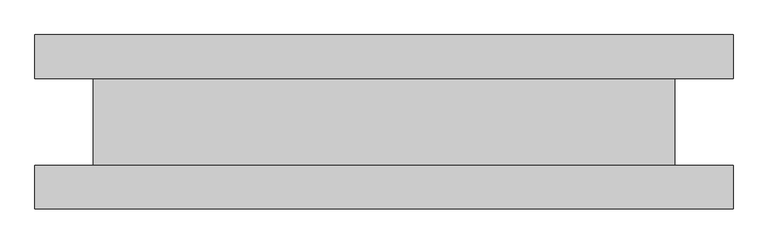
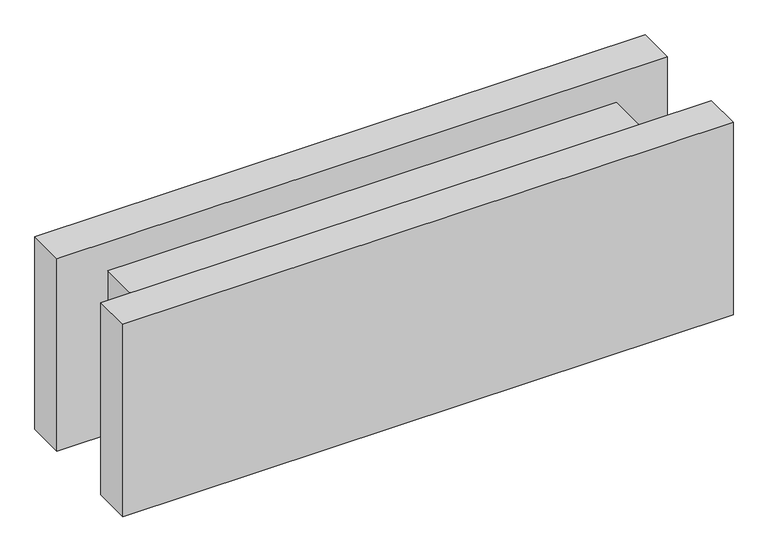
"""IFC4 building model written with IfcOpenShell, lengths in millimetres: plate geometry."""

from ifc_helpers import new_model, si_unit, frame, origin, origin_with_axes, place, context, project, spatial, polyline, outline, extrude, source, transform, mapped, element, save


def plate_00be32ea(model_context):
    return source(origin(), model_context, "Body", "SweptSolid", [
        extrude(outline(polyline([(600.0, -150.0), (-600.0, -150.0), (-600.0, -75.0), (600.0, -75.0), (600.0, -150.0)])), origin_with_axes(), (0.0, 0.0, 1.0), 400.0),
        extrude(outline(polyline([(600.0, 75.0), (-600.0, 75.0), (-600.0, 150.0), (600.0, 150.0), (600.0, 75.0)])), origin_with_axes(), (0.0, 0.0, 1.0), 400.0),
        extrude(outline(polyline([(500.0, -75.0), (-500.0, -75.0), (-500.0, 75.0), (500.0, 75.0), (500.0, -75.0)])), frame((0.0, 0.0, 59.45), z_axis=(0.0, 0.0, 1.0), x_axis=(1.0, 0.0, 0.0)), (0.0, 0.0, 1.0), 281.1),
    ])


if __name__ == "__main__":
    model = new_model("IFC4")
    model_context = context("Model", 3, world=origin())
    ifc_project = project(units=[si_unit("LENGTHUNIT", "METRE", prefix="MILLI")], contexts=[model_context])
    site = spatial("IfcSite", under=ifc_project)
    building = spatial("IfcBuilding", under=site)
    placement = place(None, origin())
    plate_shape = plate_00be32ea(model_context)
    element("IfcPlate", 1, at=placement, inside=building, context=model_context, shape_type="MappedRepresentation", body=[
        mapped(plate_shape, transform((0.0, 0.0, 0.0), x_axis=(1.0, 0.0, 0.0), y_axis=(0.0, 1.0, 0.0), z_axis=(0.0, 0.0, 1.0))),
    ])
    save(model, "model.ifc")
